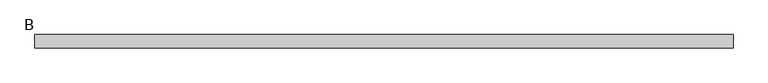
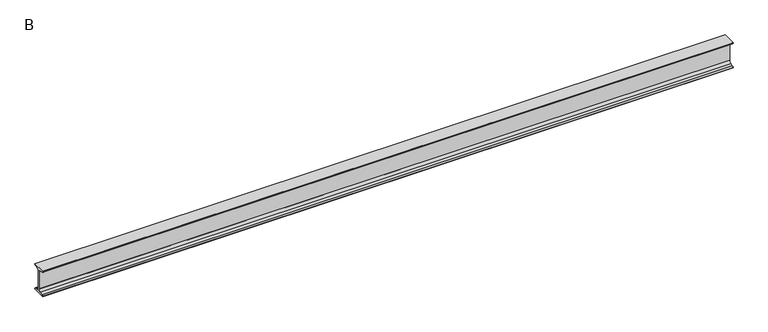
"""IFC4 building model written with IfcOpenShell, lengths in millimetres: beam geometry, B."""

from ifc_helpers import new_model, si_unit, point, frame, frame_2d, origin, place, context, project, spatial, polyline, circle_curve, trimmed, segment, composite_curve, outline, extrude, source, transform, mapped, element, save


def b_1656ae21(model_context):
    return source(origin(), model_context, "Body", "SweptSolid", [
        extrude(outline(composite_curve([segment(polyline([(25.0, 50.0), (25.0, 48.5034153)]), True, "CONTINUOUS"), segment(trimmed(circle_curve(frame_2d((20.5, 48.5034153)), 4.5), [point((25.0, 48.5034153))], [point((21.126279, 44.047209))], False, "CARTESIAN"), True, "CONTINUOUS"), segment(polyline([(21.126279, 44.047209), (10.0974421, 42.497207)]), True, "CONTINUOUS"), segment(trimmed(circle_curve(frame_2d((11.35, 33.5847944)), 9.0), [point((10.0974421, 42.497207))], [point((2.35, 33.5847944))], True, "CARTESIAN"), True, "CONTINUOUS"), segment(polyline([(2.35, 33.5847944), (2.35, -33.5847944)]), True, "CONTINUOUS"), segment(trimmed(circle_curve(frame_2d((11.35, -33.5847944)), 9.0), [point((2.35, -33.5847944))], [point((10.0974421, -42.497207))], True, "CARTESIAN"), True, "CONTINUOUS"), segment(polyline([(10.0974421, -42.497207), (21.126279, -44.047209)]), True, "CONTINUOUS"), segment(trimmed(circle_curve(frame_2d((20.5, -48.5034153)), 4.5), [point((21.126279, -44.047209))], [point((25.0, -48.5034153))], False, "CARTESIAN"), True, "CONTINUOUS"), segment(polyline([(25.0, -48.5034153), (25.0, -50.0), (-25.0, -50.0), (-25.0, -48.5034153)]), True, "CONTINUOUS"), segment(trimmed(circle_curve(frame_2d((-20.5, -48.5034153)), 4.5), [point((-25.0, -48.5034153))], [point((-21.126279, -44.047209))], False, "CARTESIAN"), True, "CONTINUOUS"), segment(polyline([(-21.126279, -44.047209), (-10.0974421, -42.497207)]), True, "CONTINUOUS"), segment(trimmed(circle_curve(frame_2d((-11.35, -33.5847944)), 9.0), [point((-10.0974421, -42.497207))], [point((-2.35, -33.5847944))], True, "CARTESIAN"), True, "CONTINUOUS"), segment(polyline([(-2.35, -33.5847944), (-2.35, 33.5847944)]), True, "CONTINUOUS"), segment(trimmed(circle_curve(frame_2d((-11.35, 33.5847944)), 9.0), [point((-2.35, 33.5847944))], [point((-10.0974421, 42.497207))], True, "CARTESIAN"), True, "CONTINUOUS"), segment(polyline([(-10.0974421, 42.497207), (-21.126279, 44.047209)]), True, "CONTINUOUS"), segment(trimmed(circle_curve(frame_2d((-20.5, 48.5034153)), 4.5), [point((-21.126279, 44.047209))], [point((-25.0, 48.5034153))], False, "CARTESIAN"), True, "CONTINUOUS"), segment(polyline([(-25.0, 48.5034153), (-25.0, 50.0), (25.0, 50.0)]), True, "CONTINUOUS")], self_intersect=False)), frame((-1287.3, 0.0, 0.0), z_axis=(1.0, 0.0, 0.0), x_axis=(0.0, 1.0, 0.0)), (0.0, 0.0, 1.0), 2574.6),
    ])


if __name__ == "__main__":
    model = new_model("IFC4")
    model_context = context("Model", 3, world=origin())
    ifc_project = project(units=[si_unit("LENGTHUNIT", "METRE", prefix="MILLI")], contexts=[model_context])
    site = spatial("IfcSite", under=ifc_project)
    building = spatial("IfcBuilding", under=site)
    placement = place(None, origin())
    b_shape = b_1656ae21(model_context)
    element("IfcBeam", 1, ObjectType="B", at=placement, inside=building, context=model_context, shape_type="MappedRepresentation", body=[
        mapped(b_shape, transform((0.0, 0.0, 0.0), x_axis=(1.0, 0.0, 0.0), y_axis=(0.0, 1.0, 0.0), z_axis=(0.0, 0.0, 1.0))),
    ])
    save(model, "model.ifc")
